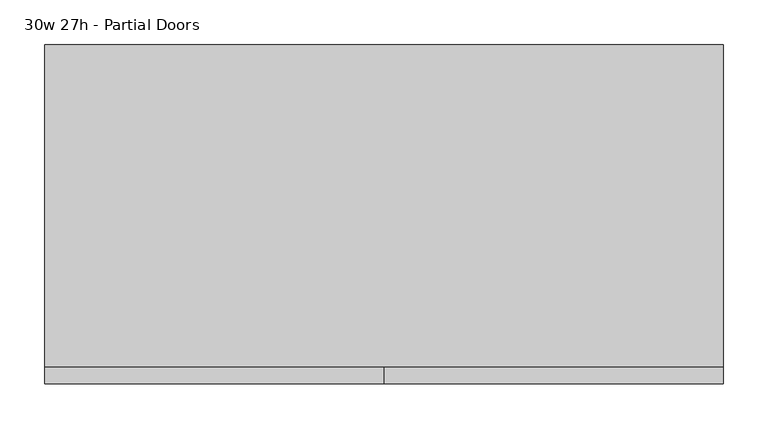
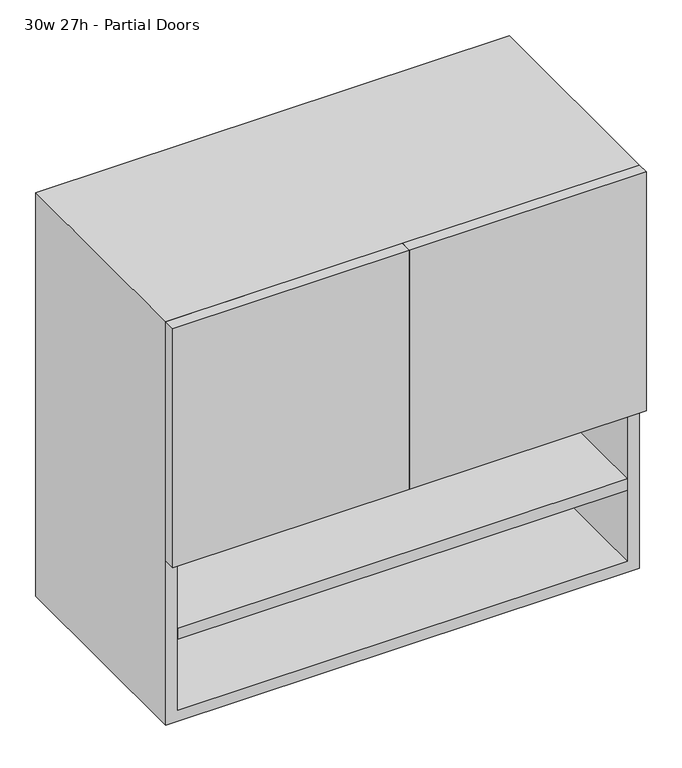
"""IFC4 building model written with IfcOpenShell, lengths in millimetres: furniture geometry, 30w 27h - Partial Doors."""

from ifc_helpers import new_model, si_unit, frame, origin, place, context, project, spatial, polyline, outline, extrude, source, transform, mapped, element, save


def furniture_30w_27h_partial_doors_271089f7(model_context):
    return source(origin(), model_context, "Body", "SweptSolid", [
        extrude(outline(polyline([(361.9569453, 161.925), (361.9569453, -180.975), (-361.9291641, -180.975), (-361.9291641, 161.925), (361.9569453, 161.925)])), frame((0.0, 0.0, 1016.0), z_axis=(0.0, 0.0, 1.0), x_axis=(1.0, 0.0, 0.0)), (0.0, 0.0, 1.0), 19.05),
        extrude(outline(polyline([(361.9569453, 161.925), (361.9569453, -180.975), (-361.9291641, -180.975), (-361.9291641, 161.925), (361.9569453, 161.925)])), frame((0.0, 0.0, 876.3), z_axis=(0.0, 0.0, 1.0), x_axis=(1.0, 0.0, 0.0)), (0.0, 0.0, 1.0), 19.05),
        extrude(outline(polyline([(0.0138906, -200.025), (0.0138906, -180.975), (381.0138906, -180.975), (381.0138906, -200.025), (0.0138906, -200.025)])), frame((0.0, 0.0, 1016.0), z_axis=(0.0, 0.0, 1.0), x_axis=(1.0, 0.0, 0.0)), (0.0, 0.0, 1.0), 406.4),
        extrude(outline(polyline([(0.0138906, -200.025), (-380.9861094, -200.025), (-380.9861094, -180.975), (0.0138906, -180.975), (0.0138906, -200.025)])), frame((0.0, 0.0, 1016.0), z_axis=(0.0, 0.0, 1.0), x_axis=(1.0, 0.0, 0.0)), (0.0, 0.0, 1.0), 406.4),
        extrude(outline(polyline([(736.6, -380.9861094), (736.6, 381.0138906), (1422.4, 381.0138906), (1422.4, -380.9861094), (736.6, -380.9861094)]), holes=[polyline([(755.65, -361.9361094), (1403.35, -361.9361094), (1403.35, 361.9569453), (755.65, 361.9569453), (755.65, -361.9361094)])]), frame((0.0, -180.975, 0.0), z_axis=(0.0, 1.0, 0.0), x_axis=(0.0, 0.0, 1.0)), (0.0, 0.0, 1.0), 361.95),
        extrude(outline(polyline([(-361.9291641, 161.925), (-361.9291641, 180.975), (361.9569453, 180.975), (361.9569453, 161.925), (-361.9291641, 161.925)])), frame((0.0, 0.0, 755.65), z_axis=(0.0, 0.0, 1.0), x_axis=(1.0, 0.0, 0.0)), (0.0, 0.0, 1.0), 647.7),
    ])


if __name__ == "__main__":
    model = new_model("IFC4")
    model_context = context("Model", 3, world=origin())
    ifc_project = project(units=[si_unit("LENGTHUNIT", "METRE", prefix="MILLI")], contexts=[model_context])
    site = spatial("IfcSite", under=ifc_project)
    building = spatial("IfcBuilding", under=site)
    placement = place(None, origin())
    furniture_30w_27h_partial_doors_shape = furniture_30w_27h_partial_doors_271089f7(model_context)
    element("IfcFurniture", 1, ObjectType="30w 27h - Partial Doors", at=placement, inside=building, context=model_context, shape_type="MappedRepresentation", body=[
        mapped(furniture_30w_27h_partial_doors_shape, transform((0.0, 0.0, 0.0), x_axis=(1.0, 0.0, 0.0), y_axis=(0.0, 1.0, 0.0), z_axis=(0.0, 0.0, 1.0))),
    ])
    save(model, "model.ifc")
